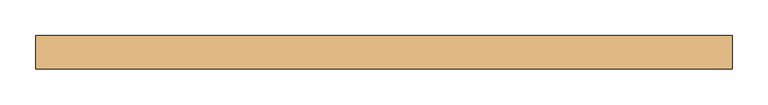
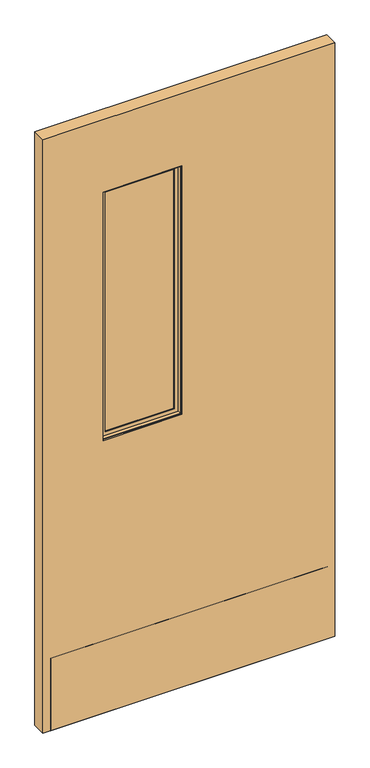
"""IFC4 building model written with IfcOpenShell, lengths in millimetres: door geometry."""

from ifc_helpers import new_model, si_unit, frame, origin, place, context, project, spatial, polyline, outline, extrude, faceted_brep, source, transform, mapped, element, save


def door_8daac041(model_context):
    return source(origin(), model_context, "Body", "SolidModel", [
        extrude(outline(polyline([(-23.0964326, 3.175), (-23.0964326, -3.175), (-284.7164326, -3.175), (-284.7164326, 3.175), (-23.0964326, 3.175)])), frame((0.0, 0.0, 968.7435027), z_axis=(0.0, 0.0, 1.0), x_axis=(1.0, 0.0, 0.0)), (0.0, 0.0, 1.0), 871.22),
        faceted_brep([(-268.8258536, -3.797467, 1824.0729238), (-268.8258536, -6.9755828, 1824.0729238), (-268.8258536, -6.9755828, 984.6340817), (-268.8258536, -3.797467, 984.6340817), (-38.9870115, -6.9755828, 984.6340817), (-38.9870115, -3.797467, 984.6340817), (-26.2745484, -6.9755828, 971.9216185), (-26.2745484, -6.9755828, 1836.7853869), (-281.5383168, -6.9755828, 1836.7853869), (-281.5383168, -6.9755828, 971.9216185), (-38.9870115, -6.9755828, 1824.0729238), (-38.9870115, -3.797467, 1824.0729238), (-284.7164326, -3.797467, 968.7435027), (-284.7164326, -3.797467, 1839.9635027), (-23.0964326, -3.797467, 1839.9635027), (-23.0964326, -3.797467, 968.7435027), (-284.7164326, -19.688046, 1839.9635027), (-284.7164326, -19.688046, 968.7435027), (-23.0964326, -19.688046, 968.7435027), (-23.0964326, -19.688046, 1839.9635027), (-281.5383168, -19.688046, 971.9216185), (-281.5383168, -19.688046, 1836.7853869), (-26.2745484, -19.688046, 1836.7853869), (-26.2745484, -19.688046, 971.9216185)], [[[0, 1, 2, 3]], [[3, 2, 4, 5]], [[6, 7, 8, 9], [2, 1, 10, 4]], [[5, 4, 10, 11]], [[12, 13, 14, 15], [5, 11, 0, 3]], [[16, 13, 12, 17]], [[17, 12, 15, 18]], [[18, 15, 14, 19]], [[18, 19, 16, 17], [20, 21, 22, 23]], [[8, 21, 20, 9]], [[9, 20, 23, 6]], [[6, 23, 22, 7]], [[11, 10, 1, 0]], [[19, 14, 13, 16]], [[7, 22, 21, 8]]]),
        faceted_brep([(-281.5383168, 19.688046, 1836.7853869), (-281.5383168, 6.9755828, 1836.7853869), (-281.5383168, 6.9755828, 971.9216185), (-281.5383168, 19.688046, 971.9216185), (-26.2745484, 6.9755828, 971.9216185), (-26.2745484, 19.688046, 971.9216185), (-26.2745484, 6.9755828, 1836.7853869), (-38.9870115, 6.9755828, 984.6340817), (-38.9870115, 6.9755828, 1824.0729238), (-268.8258536, 6.9755828, 1824.0729238), (-268.8258536, 6.9755828, 984.6340817), (-26.2745484, 19.688046, 1836.7853869), (-284.7164326, 19.688046, 968.7435027), (-284.7164326, 19.688046, 1839.9635027), (-23.0964326, 19.688046, 1839.9635027), (-23.0964326, 19.688046, 968.7435027), (-284.7164326, 3.797467, 1839.9635027), (-284.7164326, 3.797467, 968.7435027), (-23.0964326, 3.797467, 968.7435027), (-23.0964326, 3.797467, 1839.9635027), (-268.8258536, 3.797467, 984.6340817), (-268.8258536, 3.797467, 1824.0729238), (-38.9870115, 3.797467, 1824.0729238), (-38.9870115, 3.797467, 984.6340817)], [[[0, 1, 2, 3]], [[3, 2, 4, 5]], [[2, 1, 6, 4], [7, 8, 9, 10]], [[5, 4, 6, 11]], [[12, 13, 14, 15], [5, 11, 0, 3]], [[16, 13, 12, 17]], [[17, 12, 15, 18]], [[18, 15, 14, 19]], [[18, 19, 16, 17], [20, 21, 22, 23]], [[9, 21, 20, 10]], [[10, 20, 23, 7]], [[7, 23, 22, 8]], [[11, 6, 1, 0]], [[19, 14, 13, 16]], [[8, 22, 21, 9]]]),
        extrude(outline(polyline([(2093.9635027, 484.1064326), (2093.9635027, -484.1064326), (12.7, -484.1064326), (12.7, 484.1064326), (2093.9635027, 484.1064326)]), holes=[polyline([(1839.9635027, -284.7164326), (1839.9635027, -23.0964326), (968.7435027, -23.0964326), (968.7435027, -284.7164326), (1839.9635027, -284.7164326)])]), frame((0.0, -23.114, 0.0), z_axis=(0.0, 1.0, 0.0), x_axis=(0.0, 0.0, 1.0)), (0.0, 0.0, 1.0), 46.228),
        extrude(outline(polyline([(458.7064326, -9.8925062), (458.7064326, -11.4927062), (-458.7064326, -11.4927062), (-458.7064326, -9.8925062), (458.7064326, -9.8925062)])), frame((0.0, 0.0, 12.7), z_axis=(0.0, 0.0, 1.0), x_axis=(1.0, 0.0, 0.0)), (0.0, 0.0, 1.0), 254.0),
        extrude(outline(polyline([(458.7064326, -21.5634094), (458.7064326, -23.114), (-458.7064326, -23.114), (-458.7064326, -21.5634094), (458.7064326, -21.5634094)])), frame((0.0, 0.0, 12.7), z_axis=(0.0, 0.0, 1.0), x_axis=(1.0, 0.0, 0.0)), (0.0, 0.0, 1.0), 254.0),
    ])


if __name__ == "__main__":
    model = new_model("IFC4")
    model_context = context("Model", 3, world=origin())
    ifc_project = project(units=[si_unit("LENGTHUNIT", "METRE", prefix="MILLI")], contexts=[model_context])
    site = spatial("IfcSite", under=ifc_project)
    building = spatial("IfcBuilding", under=site)
    placement = place(None, origin())
    door_shape = door_8daac041(model_context)
    element("IfcDoor", 1, at=placement, inside=building, context=model_context, shape_type="MappedRepresentation", body=[
        mapped(door_shape, transform((0.0, 0.0, 0.0), x_axis=(1.0, 0.0, 0.0), y_axis=(0.0, 1.0, 0.0), z_axis=(0.0, 0.0, 1.0))),
    ])
    save(model, "model.ifc")
